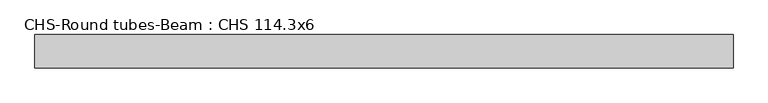
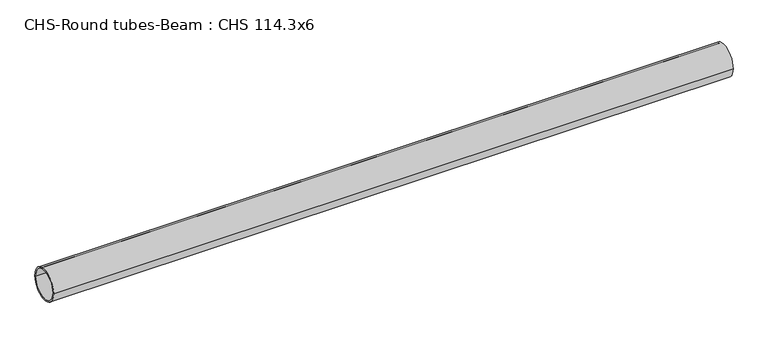
"""IFC4 building model written with IfcOpenShell, lengths in millimetres: beam geometry, CHS-Round tubes-Beam : CHS 114.3x6."""

from ifc_helpers import new_model, si_unit, point, frame, origin, origin_2d, place, context, project, spatial, circle_curve, trimmed, segment, composite_curve, outline, extrude, source, transform, mapped, element, save


def chs_round_tubes_beam_chs_114_3x6_b682f67c(model_context):
    return source(origin(), model_context, "Body", "SweptSolid", [
        extrude(outline(composite_curve([segment(trimmed(circle_curve(origin_2d(), 57.15), [point((57.15, 0.0))], [point((-57.15, 0.0))], False, "CARTESIAN"), True, "CONTINUOUS"), segment(trimmed(circle_curve(origin_2d(), 57.15), [point((-57.15, 0.0))], [point((57.15, 0.0))], False, "CARTESIAN"), True, "CONTINUOUS")], self_intersect=False), holes=[composite_curve([segment(trimmed(circle_curve(origin_2d(), 51.15), [point((51.15, 0.0))], [point((-51.15, 0.0))], True, "CARTESIAN"), True, "CONTINUOUS"), segment(trimmed(circle_curve(origin_2d(), 51.15), [point((-51.15, 0.0))], [point((51.15, 0.0))], True, "CARTESIAN"), True, "CONTINUOUS")], self_intersect=False)]), frame((-1150.655736, 0.0, 0.0), z_axis=(1.0, 0.0, 0.0), x_axis=(0.0, 1.0, 0.0)), (0.0, 0.0, 1.0), 2400.671765),
    ])


if __name__ == "__main__":
    model = new_model("IFC4")
    model_context = context("Model", 3, world=origin())
    ifc_project = project(units=[si_unit("LENGTHUNIT", "METRE", prefix="MILLI")], contexts=[model_context])
    site = spatial("IfcSite", under=ifc_project)
    building = spatial("IfcBuilding", under=site)
    placement = place(None, origin())
    chs_round_tubes_beam_chs_114_3x6_shape = chs_round_tubes_beam_chs_114_3x6_b682f67c(model_context)
    element("IfcBeam", 1, ObjectType="CHS-Round tubes-Beam : CHS 114.3x6", at=placement, inside=building, context=model_context, shape_type="MappedRepresentation", body=[
        mapped(chs_round_tubes_beam_chs_114_3x6_shape, transform((0.0, 0.0, 0.0), x_axis=(1.0, 0.0, 0.0), y_axis=(0.0, 1.0, 0.0), z_axis=(0.0, 0.0, 1.0))),
    ])
    save(model, "model.ifc")
